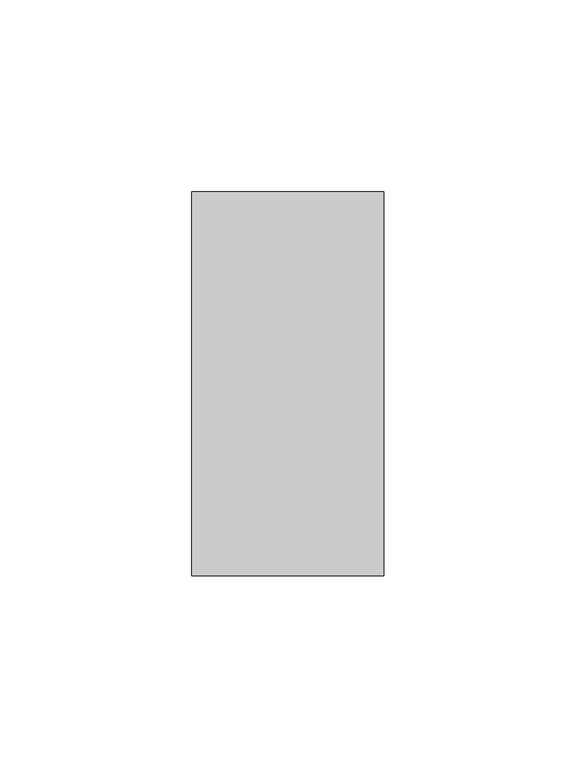
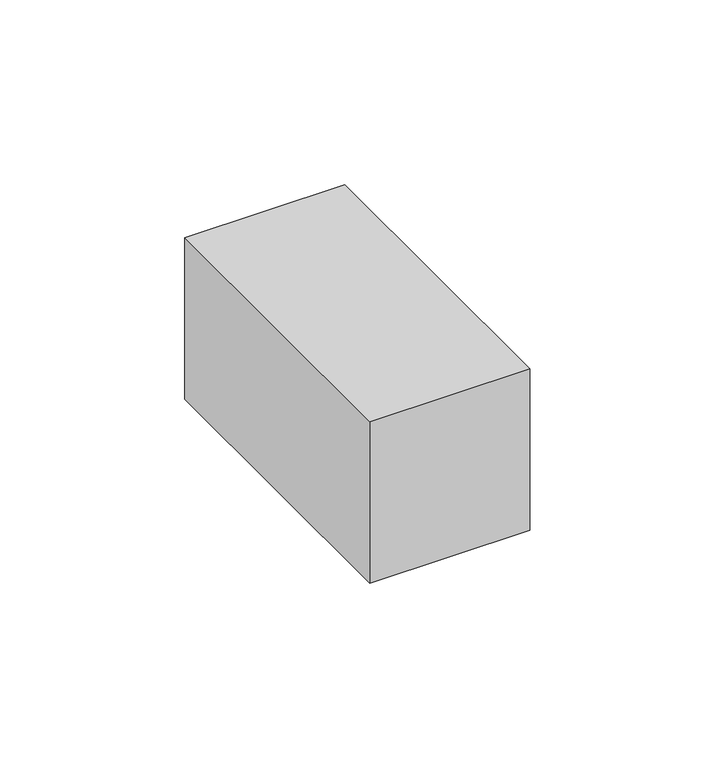
"""IFC4 building model written with IfcOpenShell, lengths in millimetres: member geometry."""

from ifc_helpers import new_model, si_unit, frame, origin, place, context, project, spatial, polyline, outline, extrude, source, transform, mapped, element, save


def member_d34f807b(model_context):
    return source(origin(), model_context, "Body", "SweptSolid", [
        extrude(outline(polyline([(0.0, 50.0), (0.0, -50.0), (-50.0, -50.0), (-50.0, 50.0), (0.0, 50.0)])), frame((0.0, 0.0, -53.3375591), z_axis=(0.0, 0.0, 1.0), x_axis=(1.0, 0.0, 0.0)), (0.0, 0.0, 1.0), 53.3375591),
    ])


if __name__ == "__main__":
    model = new_model("IFC4")
    model_context = context("Model", 3, world=origin())
    ifc_project = project(units=[si_unit("LENGTHUNIT", "METRE", prefix="MILLI")], contexts=[model_context])
    site = spatial("IfcSite", under=ifc_project)
    building = spatial("IfcBuilding", under=site)
    placement = place(None, origin())
    member_shape = member_d34f807b(model_context)
    element("IfcMember", 1, at=placement, inside=building, context=model_context, shape_type="MappedRepresentation", body=[
        mapped(member_shape, transform((0.0, 0.0, 0.0), x_axis=(1.0, 0.0, 0.0), y_axis=(0.0, 1.0, 0.0), z_axis=(0.0, 0.0, 1.0))),
    ])
    save(model, "model.ifc")
